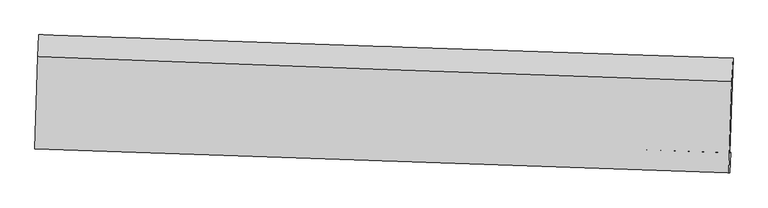
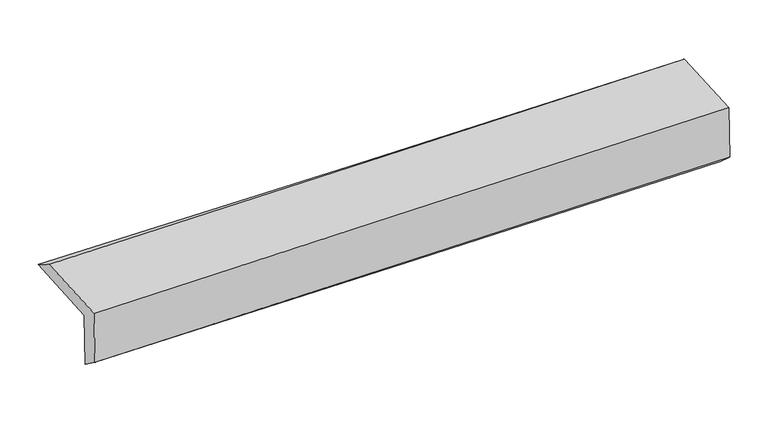
"""IFC4 building model written with IfcOpenShell, lengths in millimetres: proxy geometry."""

from ifc_helpers import new_model, si_unit, frame, origin, place, context, project, spatial, source, transform, mapped, element, save
from ifc_brep_helpers import plane_surface, spline_curve, spline_surface, advanced_brep


def generic_models_2291b220(model_context):
    return source(origin(), model_context, "Body", "AdvancedBrep", [
        advanced_brep(
        [(-2441.0230215, -1713.093149, 2006.2119479), (-2419.7606859, -1056.8098388, 2021.0572593), (2429.611835, -1220.8287763, 2068.3097586), (2407.0832804, -1882.2098616, 2079.9810746), (-2433.5236398, -1711.2363654, 1598.5820011), (2414.5842675, -1880.3526805, 1672.2638682), (-2440.0807066, -1852.3945092, 1704.1024152), (2407.5286669, -2021.597562, 1797.7783073), (-2447.5670525, -1854.2480652, 2111.0237969), (2399.95035, -2023.4738893, 2209.6987912), (-2426.5186405, -1210.895808, 2114.3415512), (2421.4281316, -1385.1386199, 2213.001592)],
        [
            (0, 1),
            (1, 2, spline_curve(3, [(-2419.7606859, -1056.8098388, 2021.0572593), (-1608.260252008, -1085.644575539, 2028.902235751), (-796.733035283, -1113.783568781, 2036.778761094), (819.724908605, -1168.445192515, 2052.530109183), (1624.655199098, -1194.979178311, 2060.40441685), (2429.611835, -1220.8287763, 2068.3097586)], [4, 2, 4], [0.0, 7.9920610098535745, 15.918633291208963])),
            (2, 3),
            (3, 0, spline_curve(3, [(2407.0832804, -1882.2098616, 2079.9810746), (1602.556529199, -1853.808185031, 2058.831908081), (797.946717303, -1825.57158365, 2042.116870803), (-818.087338319, -1769.19660717, 2017.453590481), (-1629.512960371, -1741.060970897, 2009.578918754), (-2441.0230215, -1713.093149, 2006.2119479)], [4, 2, 4], [0.0, 7.926572281355388, 15.918633291208963])),
            (4, 0),
            (3, 5),
            (5, 4, spline_curve(3, [(2414.5842675, -1880.3526805, 1672.2638682), (1609.996717915, -1851.966056949, 1654.419417092), (805.356248827, -1823.737046288, 1639.370747417), (-810.678842102, -1767.362325986, 1614.76373696), (-1622.074342295, -1739.219231769, 1605.251784522), (-2433.5236398, -1711.2363654, 1598.5820011)], [4, 2, 4], [0.0, 7.9260411981326815, 15.917566736994946])),
            (6, 4),
            (5, 7),
            (7, 6, spline_curve(3, [(2407.5286669, -2021.597562, 1797.7783073), (1602.963482102, -1993.211552004, 1779.907002133), (798.375444891, -1964.975680491, 1763.192362121), (-817.493966967, -1908.572171547, 1731.94787329), (-1628.775721013, -1880.407025738, 1717.437216045), (-2440.0807066, -1852.3945092, 1704.1024152)], [4, 2, 4], [0.0, 7.925835138268299, 15.917152914815484])),
            (8, 6),
            (7, 9),
            (9, 8, spline_curve(3, [(2399.95035, -2023.4738893, 2209.6987912), (1595.370024904, -1995.091627911, 2192.650442991), (790.781987557, -1966.855756351, 2175.935802804), (-825.057018545, -1910.444719317, 2143.038601201), (-1636.308115671, -1882.271983012, 2126.861576413), (-2447.5670525, -1854.2480652, 2111.0237969)], [4, 2, 4], [0.0, 7.925710322861203, 15.91690225278603])),
            (10, 8),
            (9, 11),
            (11, 10, spline_curve(3, [(2421.4281316, -1385.1386199, 2213.001592), (1616.72167929, -1357.575664984, 2195.94719132), (812.034832081, -1329.336482179, 2179.230748495), (-803.947750338, -1271.266765134, 2146.338460726), (-1615.243160672, -1241.425010435, 2130.168223244), (-2426.5186405, -1210.895808, 2114.3415512)], [4, 2, 4], [0.0, 7.926209261643558, 15.917904252544458])),
            (1, 10),
            (11, 2),
        ],
        [
            spline_surface(3, 3, [[(-2441.0230215, -1713.093149, 2006.2119479), (-1629.512960456, -1741.060970935, 2009.578918855), (-818.087338421, -1769.196607163, 2017.453590416), (797.946717404, -1825.571583657, 2042.116870868), (1602.556529312, -1853.808184937, 2058.831908174), (2407.0832804, -1882.2098616, 2079.9810746)], [(-2433.935576302, -1494.332045609, 2011.160385044), (-1622.428724275, -1522.588839137, 2016.0200245), (-810.969237401, -1550.725594374, 2023.895313993), (805.206114523, -1606.529453277, 2045.587950302), (1609.922752599, -1634.198516085, 2059.356077739), (2414.592798615, -1661.749499819, 2076.090635932)], [(-2426.848131098, -1275.570942191, 2016.108822156), (-1615.344488086, -1304.116707313, 2022.461130114), (-803.851136421, -1332.254581577, 2030.33703755), (812.465511603, -1387.487322888, 2049.059029717), (1617.288975839, -1414.588847274, 2059.880247308), (2422.102316785, -1441.289138081, 2072.200197268)], [(-2419.7606859, -1056.8098388, 2021.0572593), (-1608.260251905, -1085.644575515, 2028.902235758), (-796.733035401, -1113.783568788, 2036.778761127), (819.724908722, -1168.445192508, 2052.530109151), (1624.655199126, -1194.979178422, 2060.404416873), (2429.611835, -1220.8287763, 2068.3097586)]], [4, 4], [4, 2, 4], [0.0, 2.1548099620340357], [0.0, 7.9920610098535745, 15.918633291208963]),
            spline_surface(3, 3, [[(-2433.5236398, -1711.2363654, 1598.5820011), (-1622.074342328, -1739.219231883, 1605.251784595), (-810.678842166, -1767.362326047, 1614.76373706), (805.356248891, -1823.737046227, 1639.370747318), (1609.996717831, -1851.966057053, 1654.419417222), (2414.5842675, -1880.3526805, 1672.2638682)], [(-2436.023433701, -1711.855293268, 1734.458650024), (-1624.553881704, -1739.833144901, 1740.027496006), (-813.148340905, -1767.973753089, 1748.993688188), (802.886405074, -1824.348558706, 1773.619455177), (1607.516655003, -1852.580099673, 1789.223580882), (2412.083938479, -1880.971740859, 1808.169603675)], [(-2438.523227599, -1712.474221132, 1870.335298976), (-1627.033421079, -1740.447057916, 1874.803207444), (-815.617839682, -1768.585180121, 1883.223639288), (800.416561221, -1824.960071177, 1907.868163008), (1605.03659214, -1853.194142317, 1924.027744515), (2409.583609421, -1881.590801241, 1944.075339125)], [(-2441.0230215, -1713.093149, 2006.2119479), (-1629.512960456, -1741.060970935, 2009.578918855), (-818.087338421, -1769.196607163, 2017.453590416), (797.946717404, -1825.571583657, 2042.116870868), (1602.556529312, -1853.808184937, 2058.831908174), (2407.0832804, -1882.2098616, 2079.9810746)]], [4, 4], [4, 2, 4], [0.0, 1.3214900460239196], [0.0, 7.991525538862264, 15.917566736994946]),
            spline_surface(3, 3, [[(-2440.0807066, -1852.3945092, 1704.1024152), (-1628.775721075, -1880.407025701, 1717.437215947), (-817.493967048, -1908.57217167, 1731.947873274), (798.375444971, -1964.975680369, 1763.192362137), (1602.963482069, -1993.211552024, 1779.907002199), (2407.5286669, -2021.597562, 1797.7783073)], [(-2437.895017664, -1805.34179459, 1668.928943826), (-1626.541928157, -1833.344427752, 1680.042072155), (-815.222258752, -1861.502223138, 1692.886494526), (800.702379613, -1917.896135664, 1721.918490521), (1605.307893971, -1946.129720391, 1738.077807209), (2409.880533748, -1974.515934857, 1755.940160935)], [(-2435.709328736, -1758.28908001, 1633.755472474), (-1624.308135246, -1786.281829832, 1642.646928387), (-812.950550463, -1814.432274579, 1653.825115807), (803.029314249, -1870.816590932, 1680.644618934), (1607.652305929, -1899.047888686, 1696.248612213), (2412.232400652, -1927.434307643, 1714.102014565)], [(-2433.5236398, -1711.2363654, 1598.5820011), (-1622.074342328, -1739.219231883, 1605.251784595), (-810.678842166, -1767.362326047, 1614.76373706), (805.356248891, -1823.737046227, 1639.370747318), (1609.996717831, -1851.966057053, 1654.419417222), (2414.5842675, -1880.3526805, 1672.2638682)]], [4, 4], [4, 2, 4], [0.0, 0.6094434302987063], [0.0, 7.991317776547184, 15.917152914815484]),
            spline_surface(3, 3, [[(-2447.5670525, -1854.2480652, 2111.0237969), (-1636.308115588, -1882.271982948, 2126.861576436), (-825.057018592, -1910.444719372, 2143.038601164), (790.781987603, -1966.855756296, 2175.935802841), (1595.370024802, -1995.091627951, 2192.650442903), (2399.95035, -2023.4738893, 2209.6987912)], [(-2445.07160388, -1853.630213187, 1975.383336343), (-1633.79731743, -1881.65033052, 1990.386789615), (-822.536001424, -1909.820536802, 2006.008358544), (793.313140046, -1966.229064318, 2038.35465595), (1597.901177245, -1994.464935973, 2055.069296012), (2402.476455654, -2022.848446864, 2072.391963243)], [(-2442.57615522, -1853.012361213, 1839.742875757), (-1631.286519233, -1881.028678129, 1853.912002767), (-820.014984217, -1909.19635424, 1868.978115894), (795.844292528, -1965.602372347, 1900.773509028), (1600.432329626, -1993.838244002, 1917.48814909), (2405.002561246, -2022.223004436, 1935.085135257)], [(-2440.0807066, -1852.3945092, 1704.1024152), (-1628.775721075, -1880.407025701, 1717.437215947), (-817.493967048, -1908.57217167, 1731.947873274), (798.375444971, -1964.975680369, 1763.192362137), (1602.963482069, -1993.211552024, 1779.907002199), (2407.5286669, -2021.597562, 1797.7783073)]], [4, 4], [4, 2, 4], [0.0, 1.3516542617629659], [0.0, 7.9911919299248275, 15.91690225278603]),
            spline_surface(3, 3, [[(-2426.5186405, -1210.895808, 2114.3415512), (-1615.243160712, -1241.425010354, 2130.168223333), (-803.947750467, -1271.266765023, 2146.33846075), (812.034832209, -1329.336482289, 2179.230748471), (1616.721679294, -1357.575664909, 2195.947191277), (2421.4281316, -1385.1386199, 2213.001592)], [(-2433.534777832, -1425.346560415, 2113.235633109), (-1622.264812336, -1455.0406679, 2129.066007709), (-810.984173165, -1484.326083127, 2145.238507541), (804.950550684, -1541.842906946, 2178.132433247), (1609.604461099, -1570.08098591, 2194.848275128), (2414.268871036, -1597.91704302, 2211.900658375)], [(-2440.550915168, -1639.797312785, 2112.129714991), (-1629.286463964, -1668.656325402, 2127.96379206), (-818.020595893, -1697.385401268, 2144.138554373), (797.866269129, -1754.349331639, 2177.034118065), (1602.487242996, -1782.58630695, 2193.749359053), (2407.109610564, -1810.69546618, 2210.799724825)], [(-2447.5670525, -1854.2480652, 2111.0237969), (-1636.308115588, -1882.271982948, 2126.861576436), (-825.057018592, -1910.444719372, 2143.038601164), (790.781987603, -1966.855756296, 2175.935802841), (1595.370024802, -1995.091627951, 2192.650442903), (2399.95035, -2023.4738893, 2209.6987912)]], [4, 4], [4, 2, 4], [0.0, 2.095522559694029], [0.0, 7.9916949909009, 15.917904252544458]),
            spline_surface(3, 3, [[(-2419.7606859, -1056.8098388, 2021.0572593), (-1608.260251905, -1085.644575515, 2028.902235758), (-796.733035401, -1113.783568788, 2036.778761127), (819.724908722, -1168.445192508, 2052.530109151), (1624.655199126, -1194.979178422, 2060.404416873), (2429.611835, -1220.8287763, 2068.3097586)], [(-2422.013337421, -1108.171828531, 2052.152023255), (-1610.587888162, -1137.571387126, 2062.657564939), (-799.137940448, -1166.277967532, 2073.298660999), (817.161549859, -1222.075622434, 2094.763655589), (1622.010692516, -1249.178007264, 2105.58534168), (2426.883933868, -1275.59872418, 2116.540369739)], [(-2424.265988979, -1159.533818269, 2083.246787245), (-1612.915524456, -1189.498198743, 2096.412894153), (-801.54284542, -1218.772366279, 2109.818560878), (814.598191072, -1275.706052363, 2136.997202033), (1619.366185903, -1303.376836067, 2150.76626647), (2424.156032732, -1330.36867202, 2164.770980861)], [(-2426.5186405, -1210.895808, 2114.3415512), (-1615.243160712, -1241.425010354, 2130.168223333), (-803.947750467, -1271.266765023, 2146.33846075), (812.034832209, -1329.336482289, 2179.230748471), (1616.721679294, -1357.575664909, 2195.947191277), (2421.4281316, -1385.1386199, 2213.001592)]], [4, 4], [4, 2, 4], [0.0, 0.6506469588355617], [0.0, 7.992323726910215, 15.919156572560151]),
            plane_surface(frame((2413.3644219, -1735.6002316, 2006.8388987), z_axis=(0.9992651662693343, -0.033716154488967275, 0.018230425315828965), x_axis=(0.01839422046863054, 0.004554253712564897, -0.9998204395922665))),
            plane_surface(frame((-2434.7456245, -1566.4462893, 1925.8864953), z_axis=(-0.9992959712214428, 0.03278778158115181, -0.018235220853611175), x_axis=(-0.03237284276708795, -0.9992202558408186, -0.022602640743644237))),
        ],
        [
            (0, [[1, 2, 3, 4]]),
            (1, [[5, -4, 6, 7]]),
            (2, [[8, -7, 9, 10]]),
            (3, [[11, -10, 12, 13]]),
            (4, [[14, -13, 15, 16]]),
            (5, [[17, -16, 18, -2]]),
            (6, [[-12, -9, -6, -3, -18, -15]]),
            (7, [[-1, -5, -8, -11, -14, -17]]),
        ],
    ),
    ])


if __name__ == "__main__":
    model = new_model("IFC4")
    model_context = context("Model", 3, world=origin())
    ifc_project = project(units=[si_unit("LENGTHUNIT", "METRE", prefix="MILLI")], contexts=[model_context])
    site = spatial("IfcSite", under=ifc_project)
    building = spatial("IfcBuilding", under=site)
    placement = place(None, origin())
    generic_models_shape = generic_models_2291b220(model_context)
    element("IfcBuildingElementProxy", 1, Name="Generic Models", at=placement, inside=building, context=model_context, shape_type="MappedRepresentation", body=[
        mapped(generic_models_shape, transform((0.0, 0.0, 0.0), x_axis=(1.0, 0.0, 0.0), y_axis=(0.0, 1.0, 0.0), z_axis=(0.0, 0.0, 1.0))),
    ])
    save(model, "model.ifc")
